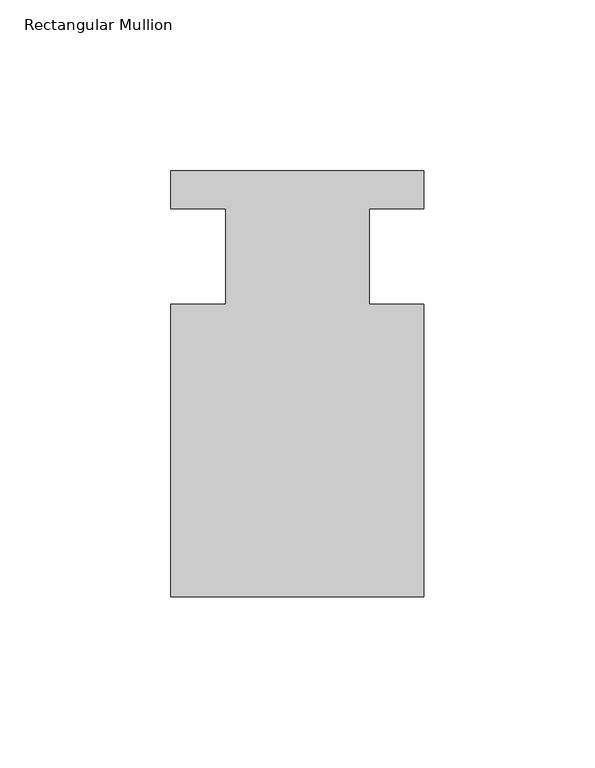
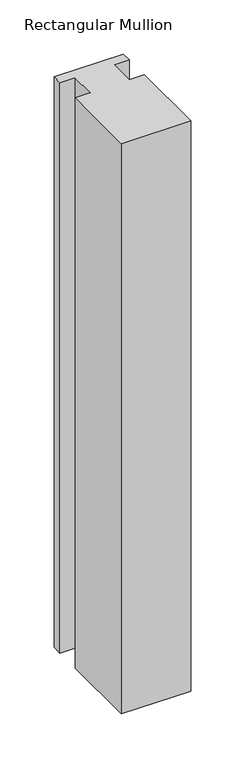
"""IFC4 building model written with IfcOpenShell, lengths in millimetres: member geometry, Rectangular Mullion."""

from ifc_helpers import new_model, si_unit, frame, origin, place, context, project, spatial, polyline, outline, extrude, source, transform, mapped, element, save


def rectangular_mullion_4811b119(model_context):
    return source(origin(), model_context, "Body", "SweptSolid", [
        extrude(outline(polyline([(-20.9800745, -13.9998907), (-20.9800745, 14.0), (-37.0, 14.0), (-37.0, 25.0), (36.9800745, 25.0), (36.9800745, 14.0), (20.9800745, 14.0), (20.9800745, -13.9998907), (37.0, -13.9998907), (37.0, -99.5), (-37.0, -99.5), (-37.0, -13.9998907), (-20.9800745, -13.9998907)])), frame((0.0, 0.0, -643.909828), z_axis=(0.0, 0.0, 1.0), x_axis=(1.0, 0.0, 0.0)), (0.0, 0.0, 1.0), 643.909828),
    ])


if __name__ == "__main__":
    model = new_model("IFC4")
    model_context = context("Model", 3, world=origin())
    ifc_project = project(units=[si_unit("LENGTHUNIT", "METRE", prefix="MILLI")], contexts=[model_context])
    site = spatial("IfcSite", under=ifc_project)
    building = spatial("IfcBuilding", under=site)
    placement = place(None, origin())
    rectangular_mullion_shape = rectangular_mullion_4811b119(model_context)
    element("IfcMember", 1, ObjectType="Rectangular Mullion", at=placement, inside=building, context=model_context, shape_type="MappedRepresentation", body=[
        mapped(rectangular_mullion_shape, transform((0.0, 0.0, 0.0), x_axis=(1.0, 0.0, 0.0), y_axis=(0.0, 1.0, 0.0), z_axis=(0.0, 0.0, 1.0))),
    ])
    save(model, "model.ifc")
